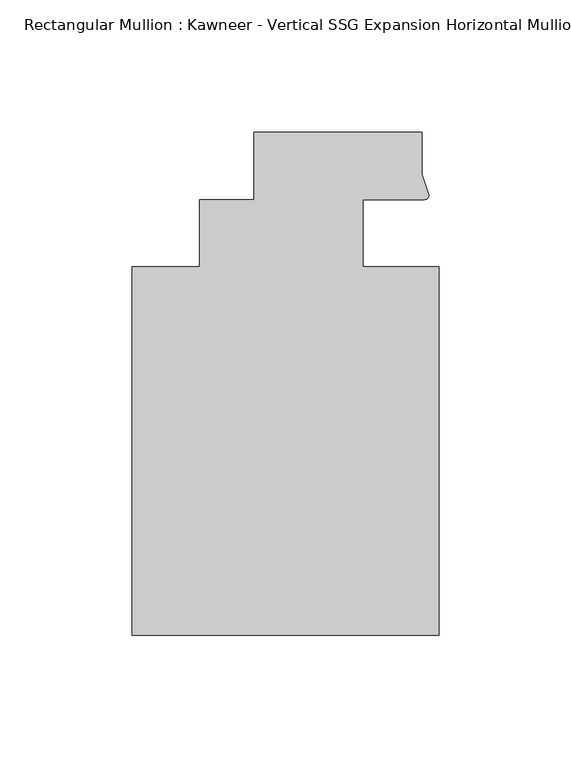
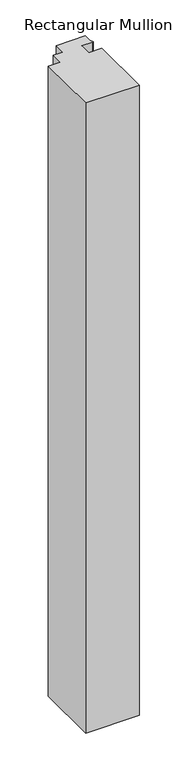
"""IFC4 building model written with IfcOpenShell, lengths in millimetres: member geometry."""

from ifc_helpers import new_model, si_unit, point, frame, frame_2d, origin, place, context, project, spatial, polyline, circle_curve, trimmed, segment, composite_curve, outline, extrude, source, transform, mapped, element, save


def member_1fa88fc0(model_context):
    return source(origin(), model_context, "Body", "SweptSolid", [
        extrude(outline(composite_curve([segment(polyline([(48.2997293, 12.7000881), (25.0401592, 12.7000881), (25.0401592, -12.7), (53.615046, -12.7), (53.615046, -151.892), (-62.2957636, -151.892), (-62.2957636, -12.7), (-36.8958768, -12.7), (-36.8958768, 12.7), (-16.234954, 12.7), (-16.234954, 38.1), (47.265046, 38.1), (47.265046, 22.2250977), (49.9159011, 14.2884292)]), True, "CONTINUOUS"), segment(trimmed(circle_curve(frame_2d((48.2162832, 14.401412)), 1.703369), [point((49.9159011, 14.2884292))], [point((48.2997293, 12.7000881))], False, "CARTESIAN"), True, "CONTINUOUS")], self_intersect=False)), frame((0.0, 0.0, -1443.6284605), z_axis=(0.0, 0.0, 1.0), x_axis=(1.0, 0.0, 0.0)), (0.0, 0.0, 1.0), 1443.6284605),
    ])


if __name__ == "__main__":
    model = new_model("IFC4")
    model_context = context("Model", 3, world=origin())
    ifc_project = project(units=[si_unit("LENGTHUNIT", "METRE", prefix="MILLI")], contexts=[model_context])
    site = spatial("IfcSite", under=ifc_project)
    building = spatial("IfcBuilding", under=site)
    placement = place(None, origin())
    member_shape = member_1fa88fc0(model_context)
    element("IfcMember", 1, ObjectType="Rectangular Mullion : Kawneer - Vertical SSG Expansion Horizontal Mullion - 7 1/2\"", at=placement, inside=building, context=model_context, shape_type="MappedRepresentation", body=[
        mapped(member_shape, transform((0.0, 0.0, 0.0), x_axis=(1.0, 0.0, 0.0), y_axis=(0.0, 1.0, 0.0), z_axis=(0.0, 0.0, 1.0))),
    ])
    save(model, "model.ifc")
